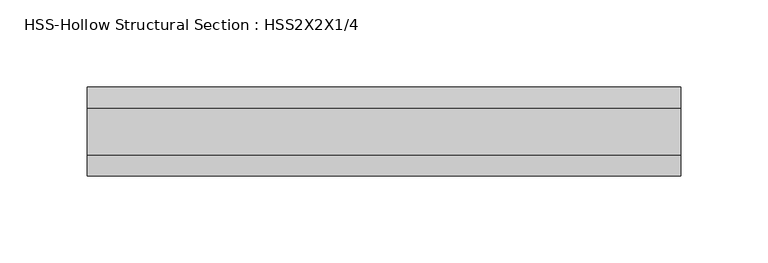
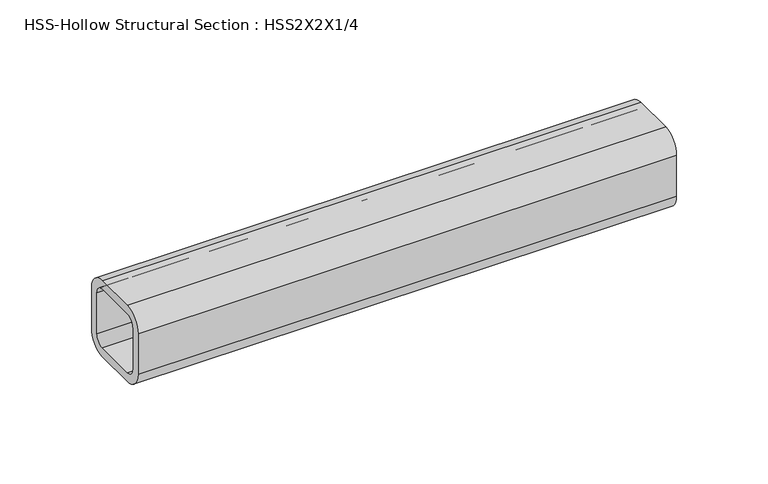
"""IFC4 building model written with IfcOpenShell, lengths in millimetres: beam geometry, HSS-Hollow Structural Section : HSS2X2X1/4."""

from ifc_helpers import new_model, si_unit, point, frame, frame_2d, origin, place, context, project, spatial, polyline, circle_curve, trimmed, segment, composite_curve, outline, extrude, source, transform, mapped, element, save


def hss_hollow_structural_section_hss2x2x1_4_40d40bd8(model_context):
    return source(origin(), model_context, "Body", "SweptSolid", [
        extrude(outline(composite_curve([segment(polyline([(25.4, 13.5636), (25.4, -13.5636)]), True, "CONTINUOUS"), segment(trimmed(circle_curve(frame_2d((13.5636, -13.5636)), 11.8364), [point((25.4, -13.5636))], [point((13.5636, -25.4))], False, "CARTESIAN"), True, "CONTINUOUS"), segment(polyline([(13.5636, -25.4), (-13.5636, -25.4)]), True, "CONTINUOUS"), segment(trimmed(circle_curve(frame_2d((-13.5636, -13.5636)), 11.8364), [point((-13.5636, -25.4))], [point((-25.4, -13.5636))], False, "CARTESIAN"), True, "CONTINUOUS"), segment(polyline([(-25.4, -13.5636), (-25.4, 13.5636)]), True, "CONTINUOUS"), segment(trimmed(circle_curve(frame_2d((-13.5636, 13.5636)), 11.8364), [point((-25.4, 13.5636))], [point((-13.5636, 25.4))], False, "CARTESIAN"), True, "CONTINUOUS"), segment(polyline([(-13.5636, 25.4), (13.5636, 25.4)]), True, "CONTINUOUS"), segment(trimmed(circle_curve(frame_2d((13.5636, 13.5636)), 11.8364), [point((13.5636, 25.4))], [point((25.4, 13.5636))], False, "CARTESIAN"), True, "CONTINUOUS")], self_intersect=False), holes=[composite_curve([segment(trimmed(circle_curve(frame_2d((-13.5636, 13.5636)), 5.9182), [point((-13.5636, 19.4818))], [point((-19.4818, 13.5636))], True, "CARTESIAN"), True, "CONTINUOUS"), segment(polyline([(-19.4818, 13.5636), (-19.4818, -13.5636)]), True, "CONTINUOUS"), segment(trimmed(circle_curve(frame_2d((-13.5636, -13.5636)), 5.9182), [point((-19.4818, -13.5636))], [point((-13.5636, -19.4818))], True, "CARTESIAN"), True, "CONTINUOUS"), segment(polyline([(-13.5636, -19.4818), (13.5636, -19.4818)]), True, "CONTINUOUS"), segment(trimmed(circle_curve(frame_2d((13.5636, -13.5636)), 5.9182), [point((13.5636, -19.4818))], [point((19.4818, -13.5636))], True, "CARTESIAN"), True, "CONTINUOUS"), segment(polyline([(19.4818, -13.5636), (19.4818, 13.5636)]), True, "CONTINUOUS"), segment(trimmed(circle_curve(frame_2d((13.5636, 13.5636)), 5.9182), [point((19.4818, 13.5636))], [point((13.5636, 19.4818))], True, "CARTESIAN"), True, "CONTINUOUS"), segment(polyline([(13.5636, 19.4818), (-13.5636, 19.4818)]), True, "CONTINUOUS")], self_intersect=False)]), frame((-195.2625, 0.0, 0.0), z_axis=(1.0, 0.0, 0.0), x_axis=(0.0, 1.0, 0.0)), (0.0, 0.0, 1.0), 339.725),
    ])


if __name__ == "__main__":
    model = new_model("IFC4")
    model_context = context("Model", 3, world=origin())
    ifc_project = project(units=[si_unit("LENGTHUNIT", "METRE", prefix="MILLI")], contexts=[model_context])
    site = spatial("IfcSite", under=ifc_project)
    building = spatial("IfcBuilding", under=site)
    placement = place(None, origin())
    hss_hollow_structural_section_hss2x2x1_4_shape = hss_hollow_structural_section_hss2x2x1_4_40d40bd8(model_context)
    element("IfcBeam", 1, ObjectType="HSS-Hollow Structural Section : HSS2X2X1/4", at=placement, inside=building, context=model_context, shape_type="MappedRepresentation", body=[
        mapped(hss_hollow_structural_section_hss2x2x1_4_shape, transform((0.0, 0.0, 0.0), x_axis=(1.0, 0.0, 0.0), y_axis=(0.0, 1.0, 0.0), z_axis=(0.0, 0.0, 1.0))),
    ])
    save(model, "model.ifc")
